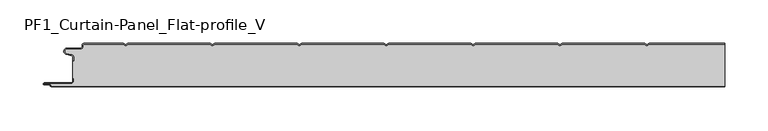
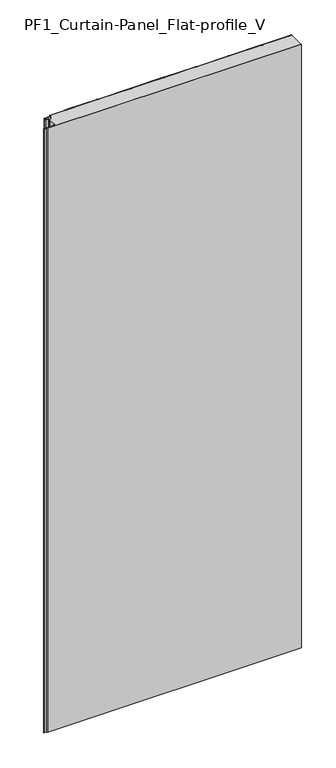
"""IFC4 building model written with IfcOpenShell, lengths in millimetres: plate geometry, PF1_Curtain-Panel_Flat-profile_V."""

from ifc_helpers import new_model, si_unit, point, frame_2d, origin, origin_with_axes, place, context, project, spatial, polyline, circle_curve, trimmed, segment, composite_curve, outline, extrude, source, transform, mapped, element, save


def pf1_curtain_panel_flat_profile_v_f2d35ecd(model_context):
    return source(origin(), model_context, "Body", "SweptSolid", [
        extrude(outline(composite_curve([segment(trimmed(circle_curve(frame_2d((-377.0119739, -15.878557)), 2.0), [point((-375.0119739, -15.878557))], [point((-376.5620718, -13.9298169))], True, "CARTESIAN"), True, "CONTINUOUS"), segment(polyline([(-376.5620718, -13.9298169), (-382.7217978, -12.507732)]), True, "CONTINUOUS"), segment(trimmed(circle_curve(frame_2d((-381.9119739, -9.0)), 3.6), [point((-382.7217978, -12.507732))], [point((-381.9119739, -5.4))], False, "CARTESIAN"), True, "CONTINUOUS"), segment(polyline([(-381.9119739, -5.4), (-366.4119739, -5.4)]), True, "CONTINUOUS"), segment(trimmed(circle_curve(frame_2d((-366.4119739, -3.4)), 2.0), [point((-366.4119739, -5.4))], [point((-364.4119739, -3.4))], True, "CARTESIAN"), True, "CONTINUOUS"), segment(polyline([(-364.4119739, -3.4), (-364.4119739, -2.0)]), True, "CONTINUOUS"), segment(trimmed(circle_curve(frame_2d((-362.4119739, -2.0)), 2.0), [point((-364.4119739, -2.0))], [point((-362.4119739, 0.0))], False, "CARTESIAN"), True, "CONTINUOUS"), segment(polyline([(-362.4119739, 0.0), (-317.1119734, 0.0), (-314.4119739, -1.5588455), (-311.7119745, 0.0), (-217.1119734, 0.0), (-214.4119739, -1.5588455), (-211.7119745, 0.0), (-117.1119734, 0.0), (-114.4119739, -1.5588455), (-111.7119745, 0.0), (-17.1119734, 0.0), (-14.4119739, -1.5588455), (-11.7119745, 0.0), (82.8880266, 0.0), (85.5880261, -1.5588455), (88.2880255, 0.0), (182.8880266, 0.0), (185.5880261, -1.5588455), (188.2880255, 0.0), (282.8880266, 0.0), (285.5880261, -1.5588455), (288.2880255, 0.0), (375.0119739, 0.0), (375.0119739, -0.8), (288.5023849, -0.8), (285.5880261, -2.482606), (282.6736672, -0.8), (188.5023849, -0.8), (185.5880261, -2.482606), (182.6736672, -0.8), (88.5023849, -0.8), (85.5880261, -2.482606), (82.6736672, -0.8), (-11.4976151, -0.8), (-14.4119739, -2.482606), (-17.3263328, -0.8), (-111.4976151, -0.8), (-114.4119739, -2.482606), (-117.3263328, -0.8), (-211.4976151, -0.8), (-214.4119739, -2.482606), (-217.3263328, -0.8), (-311.4976151, -0.8), (-314.4119739, -2.482606), (-317.3263328, -0.8), (-362.4119739, -0.8)]), True, "CONTINUOUS"), segment(trimmed(circle_curve(frame_2d((-362.4119739, -2.0)), 1.2), [point((-362.4119739, -0.8))], [point((-363.6119739, -2.0))], True, "CARTESIAN"), True, "CONTINUOUS"), segment(polyline([(-363.6119739, -2.0), (-363.6119739, -3.4)]), True, "CONTINUOUS"), segment(trimmed(circle_curve(frame_2d((-366.4119739, -3.4)), 2.8), [point((-363.6119739, -3.4))], [point((-366.4119739, -6.2))], False, "CARTESIAN"), True, "CONTINUOUS"), segment(polyline([(-366.4119739, -6.2), (-381.9119739, -6.2)]), True, "CONTINUOUS"), segment(trimmed(circle_curve(frame_2d((-381.9119739, -9.0)), 2.8), [point((-381.9119739, -6.2))], [point((-382.541837, -11.7282362))], True, "CARTESIAN"), True, "CONTINUOUS"), segment(polyline([(-382.541837, -11.7282362), (-376.3821109, -13.150321)]), True, "CONTINUOUS"), segment(trimmed(circle_curve(frame_2d((-377.0119739, -15.878557)), 2.8), [point((-376.3821109, -13.150321))], [point((-374.2119739, -15.878557))], False, "CARTESIAN"), True, "CONTINUOUS"), segment(polyline([(-374.2119739, -15.878557), (-374.2119739, -20.0), (-375.0119739, -20.0), (-375.0119739, -15.878557)]), True, "CONTINUOUS")], self_intersect=False)), origin_with_axes(), (0.0, 0.0, 1.0), 1945.7507136),
        extrude(outline(composite_curve([segment(polyline([(-374.2119739, -40.0), (-375.0119739, -40.0), (-375.0119739, -20.0), (-374.2119739, -20.0), (-374.2119739, -15.878557)]), True, "CONTINUOUS"), segment(trimmed(circle_curve(frame_2d((-377.0119739, -15.878557)), 2.8), [point((-374.2119739, -15.878557))], [point((-376.3821109, -13.1503208))], True, "CARTESIAN"), True, "CONTINUOUS"), segment(polyline([(-376.3821109, -13.1503208), (-382.5418369, -11.7282362)]), True, "CONTINUOUS"), segment(trimmed(circle_curve(frame_2d((-381.9119739, -9.0)), 2.8), [point((-382.5418369, -11.7282362))], [point((-381.9119739, -6.2))], False, "CARTESIAN"), True, "CONTINUOUS"), segment(polyline([(-381.9119739, -6.2), (-366.4119739, -6.2)]), True, "CONTINUOUS"), segment(trimmed(circle_curve(frame_2d((-366.4119739, -3.4)), 2.8), [point((-366.4119739, -6.2))], [point((-363.6119739, -3.4))], True, "CARTESIAN"), True, "CONTINUOUS"), segment(polyline([(-363.6119739, -3.4), (-363.6119739, -2.0)]), True, "CONTINUOUS"), segment(trimmed(circle_curve(frame_2d((-362.4119739, -2.0)), 1.2), [point((-363.6119739, -2.0))], [point((-362.4119739, -0.8))], False, "CARTESIAN"), True, "CONTINUOUS"), segment(polyline([(-362.4119739, -0.8), (-317.3263328, -0.8), (-314.4119739, -2.482606), (-311.4976151, -0.8), (-217.3263328, -0.8), (-214.4119739, -2.482606), (-211.4976151, -0.8), (-117.3263328, -0.8), (-114.4119739, -2.482606), (-111.4976151, -0.8), (-17.3263328, -0.8), (-14.4119739, -2.482606), (-11.4976151, -0.8), (82.6736672, -0.8), (85.5880261, -2.482606), (88.5023849, -0.8), (182.6736672, -0.8), (185.5880261, -2.482606), (188.5023849, -0.8), (282.6736672, -0.8), (285.5880261, -2.482606), (288.5023849, -0.8), (375.0119739, -0.8), (375.0119739, -49.2), (-399.4119739, -49.2)]), True, "CONTINUOUS"), segment(trimmed(circle_curve(frame_2d((-399.4119739, -48.4)), 0.8), [point((-399.4119739, -49.2))], [point((-400.2119739, -48.4))], False, "CARTESIAN"), True, "CONTINUOUS"), segment(trimmed(circle_curve(frame_2d((-401.9119739, -48.6133333)), 1.7133333), [point((-400.2119739, -48.4))], [point((-401.9119739, -46.9))], True, "CARTESIAN"), True, "CONTINUOUS"), segment(polyline([(-401.9119739, -46.9), (-407.8820051, -46.9)]), True, "CONTINUOUS"), segment(trimmed(circle_curve(frame_2d((-407.8820051, -46.6)), 0.3), [point((-407.8820051, -46.9))], [point((-407.8820051, -46.3))], False, "CARTESIAN"), True, "CONTINUOUS"), segment(polyline([(-407.8820051, -46.3), (-377.0119739, -46.3)]), True, "CONTINUOUS"), segment(trimmed(circle_curve(frame_2d((-377.0119739, -43.5)), 2.8), [point((-377.0119739, -46.3))], [point((-374.2119739, -43.5))], True, "CARTESIAN"), True, "CONTINUOUS"), segment(polyline([(-374.2119739, -43.5), (-374.2119739, -40.0)]), True, "CONTINUOUS")], self_intersect=False)), origin_with_axes(), (0.0, 0.0, 1.0), 1945.7507136),
        extrude(outline(composite_curve([segment(polyline([(-375.0119739, -40.0), (-374.2119739, -40.0), (-374.2119739, -43.5)]), True, "CONTINUOUS"), segment(trimmed(circle_curve(frame_2d((-377.0119739, -43.5)), 2.8), [point((-374.2119739, -43.5))], [point((-377.0119739, -46.3))], False, "CARTESIAN"), True, "CONTINUOUS"), segment(polyline([(-377.0119739, -46.3), (-407.8820051, -46.3)]), True, "CONTINUOUS"), segment(trimmed(circle_curve(frame_2d((-407.8820051, -46.6)), 0.3), [point((-407.8820051, -46.3))], [point((-407.8820051, -46.9))], True, "CARTESIAN"), True, "CONTINUOUS"), segment(polyline([(-407.8820051, -46.9), (-401.9119739, -46.9)]), True, "CONTINUOUS"), segment(trimmed(circle_curve(frame_2d((-401.9119739, -48.6133333)), 1.7133333), [point((-401.9119739, -46.9))], [point((-400.2119739, -48.4))], False, "CARTESIAN"), True, "CONTINUOUS"), segment(trimmed(circle_curve(frame_2d((-399.4119739, -48.4)), 0.8), [point((-400.2119739, -48.4))], [point((-399.4119739, -49.2))], True, "CARTESIAN"), True, "CONTINUOUS"), segment(polyline([(-399.4119739, -49.2), (375.0119739, -49.2), (375.0119739, -50.0), (-399.4119739, -50.0)]), True, "CONTINUOUS"), segment(trimmed(circle_curve(frame_2d((-399.4119739, -48.4)), 1.6), [point((-399.4119739, -50.0))], [point((-401.0119739, -48.4))], False, "CARTESIAN"), True, "CONTINUOUS"), segment(trimmed(circle_curve(frame_2d((-401.9119739, -48.4)), 0.9), [point((-401.0119739, -48.4))], [point((-401.9119739, -47.5))], True, "CARTESIAN"), True, "CONTINUOUS"), segment(polyline([(-401.9119739, -47.5), (-408.0119739, -47.5)]), True, "CONTINUOUS"), segment(trimmed(circle_curve(frame_2d((-408.0119739, -46.5)), 1.0), [point((-408.0119739, -47.5))], [point((-408.0119739, -45.5))], False, "CARTESIAN"), True, "CONTINUOUS"), segment(polyline([(-408.0119739, -45.5), (-377.0119739, -45.5)]), True, "CONTINUOUS"), segment(trimmed(circle_curve(frame_2d((-377.0119739, -43.5)), 2.0), [point((-377.0119739, -45.5))], [point((-375.0119739, -43.5))], True, "CARTESIAN"), True, "CONTINUOUS"), segment(polyline([(-375.0119739, -43.5), (-375.0119739, -40.0)]), True, "CONTINUOUS")], self_intersect=False)), origin_with_axes(), (0.0, 0.0, 1.0), 1945.7507136),
    ])


if __name__ == "__main__":
    model = new_model("IFC4")
    model_context = context("Model", 3, world=origin())
    ifc_project = project(units=[si_unit("LENGTHUNIT", "METRE", prefix="MILLI")], contexts=[model_context])
    site = spatial("IfcSite", under=ifc_project)
    building = spatial("IfcBuilding", under=site)
    placement = place(None, origin())
    pf1_curtain_panel_flat_profile_v_shape = pf1_curtain_panel_flat_profile_v_f2d35ecd(model_context)
    element("IfcPlate", 1, ObjectType="PF1_Curtain-Panel_Flat-profile_V", at=placement, inside=building, context=model_context, shape_type="MappedRepresentation", body=[
        mapped(pf1_curtain_panel_flat_profile_v_shape, transform((0.0, 0.0, 0.0), x_axis=(1.0, 0.0, 0.0), y_axis=(0.0, 1.0, 0.0), z_axis=(0.0, 0.0, 1.0))),
    ])
    save(model, "model.ifc")
